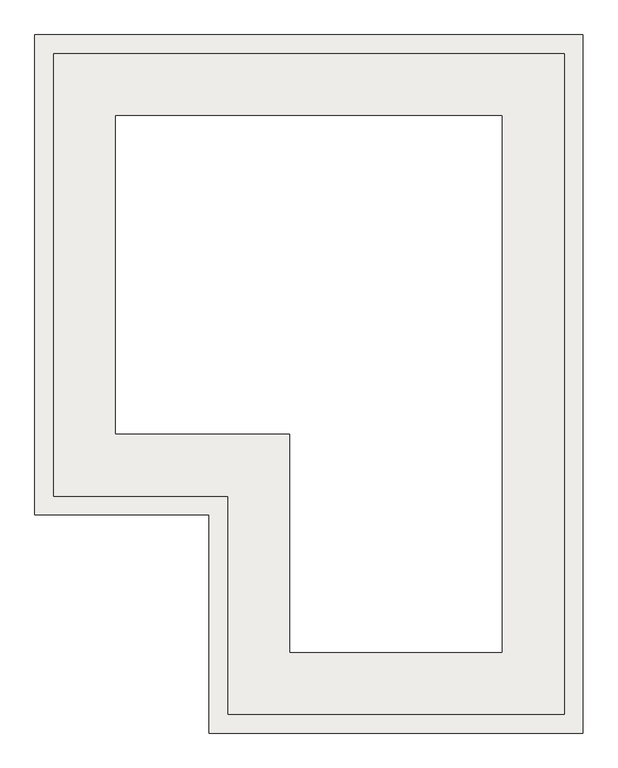
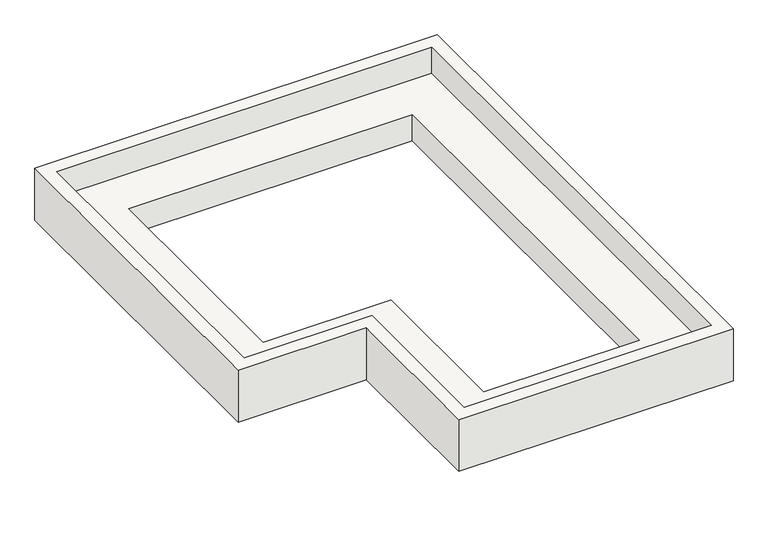
"""IFC4 building model written with IfcOpenShell, lengths in millimetres: slab geometry."""

from ifc_helpers import new_model, si_unit, origin, place, context, project, spatial, faceted_brep, source, transform, mapped, element, save


def slab_8ec38a9b(model_context):
    return source(origin(), model_context, "Body", "Brep", [
        faceted_brep([(74329.3852488, 9891.1764706, 16400.0), (74329.3852488, 9891.1764706, 16100.0), (74329.3852488, 5591.1764706, 16100.0), (74329.3852488, 5591.1764706, 16400.0), (74979.3852488, 10541.1764706, 16100.0), (74979.3852488, 10541.1764706, 16700.0), (74979.3852488, 4941.1764706, 16700.0), (74979.3852488, 4941.1764706, 16100.0), (74829.3852488, 10391.1764706, 16700.0), (74829.3852488, 10391.1764706, 16400.0), (74829.3852488, 5091.1764706, 16400.0), (74829.3852488, 5091.1764706, 16700.0), (72629.3852488, 5591.1764706, 16100.0), (72629.3852488, 5591.1764706, 16400.0), (71979.3852488, 4941.1764706, 16700.0), (71979.3852488, 4941.1764706, 16100.0), (72129.3852488, 5091.1764706, 16400.0), (72129.3852488, 5091.1764706, 16700.0), (72129.3852488, 6841.1764706, 16400.0), (72129.3852488, 6841.1764706, 16700.0), (71979.3852488, 6691.1764706, 16700.0), (71979.3852488, 6691.1764706, 16100.0), (72629.3852488, 7341.1764706, 16100.0), (72629.3852488, 7341.1764706, 16400.0), (70729.4117647, 6841.1764706, 16400.0), (70729.4117647, 6841.1764706, 16700.0), (70579.4117647, 6691.1764706, 16700.0), (70579.4117647, 6691.1764706, 16100.0), (71229.4117647, 7341.1764706, 16100.0), (71229.4117647, 7341.1764706, 16400.0), (70729.4117647, 10391.1764706, 16400.0), (70729.4117647, 10391.1764706, 16700.0), (70579.4117647, 10541.1764706, 16700.0), (70579.4117647, 10541.1764706, 16100.0), (71229.4117647, 9891.1764706, 16100.0), (71229.4117647, 9891.1764706, 16400.0)], [[[0, 1, 2, 3]], [[4, 5, 6, 7]], [[8, 9, 10, 11]], [[3, 2, 12, 13]], [[7, 6, 14, 15]], [[11, 10, 16, 17]], [[17, 16, 18, 19]], [[15, 14, 20, 21]], [[13, 12, 22, 23]], [[19, 18, 24, 25]], [[21, 20, 26, 27]], [[23, 22, 28, 29]], [[25, 24, 30, 31]], [[27, 26, 32, 33]], [[29, 28, 34, 35]], [[9, 30, 24, 18, 16, 10], [23, 29, 35, 0, 3, 13]], [[31, 30, 9, 8]], [[5, 32, 26, 20, 14, 6], [19, 25, 31, 8, 11, 17]], [[33, 32, 5, 4]], [[21, 27, 33, 4, 7, 15], [1, 34, 28, 22, 12, 2]], [[35, 34, 1, 0]]]),
    ])


if __name__ == "__main__":
    model = new_model("IFC4")
    model_context = context("Model", 3, world=origin())
    ifc_project = project(units=[si_unit("LENGTHUNIT", "METRE", prefix="MILLI")], contexts=[model_context])
    site = spatial("IfcSite", under=ifc_project)
    building = spatial("IfcBuilding", under=site)
    placement = place(None, origin())
    slab_shape = slab_8ec38a9b(model_context)
    element("IfcSlab", 1, at=placement, inside=building, context=model_context, shape_type="MappedRepresentation", body=[
        mapped(slab_shape, transform((0.0, 0.0, 0.0), x_axis=(1.0, 0.0, 0.0), y_axis=(0.0, 1.0, 0.0), z_axis=(0.0, 0.0, 1.0))),
    ])
    save(model, "model.ifc")
